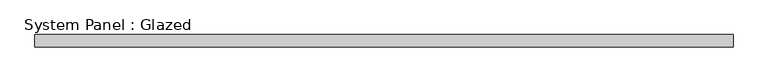
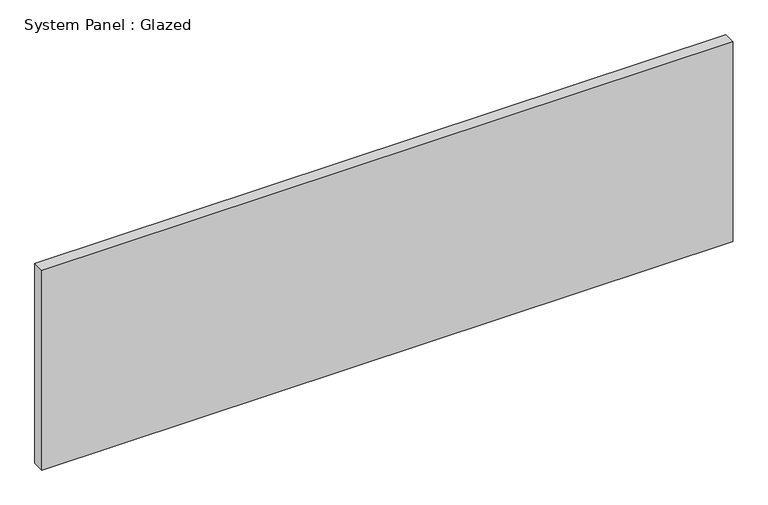
"""IFC4 building model written with IfcOpenShell, lengths in millimetres: plate geometry, System Panel : Glazed."""

from ifc_helpers import new_model, si_unit, origin, origin_with_axes, place, context, project, spatial, polyline, outline, extrude, source, transform, mapped, element, save


def system_panel_glazed_0181f304(model_context):
    return source(origin(), model_context, "Body", "SweptSolid", [
        extrude(outline(polyline([(727.075, -12.7), (-727.075, -12.7), (-727.075, 12.7), (727.075, 12.7), (727.075, -12.7)])), origin_with_axes(), (0.0, 0.0, 1.0), 444.5),
    ])


if __name__ == "__main__":
    model = new_model("IFC4")
    model_context = context("Model", 3, world=origin())
    ifc_project = project(units=[si_unit("LENGTHUNIT", "METRE", prefix="MILLI")], contexts=[model_context])
    site = spatial("IfcSite", under=ifc_project)
    building = spatial("IfcBuilding", under=site)
    placement = place(None, origin())
    system_panel_glazed_shape = system_panel_glazed_0181f304(model_context)
    element("IfcPlate", 1, ObjectType="System Panel : Glazed", at=placement, inside=building, context=model_context, shape_type="MappedRepresentation", body=[
        mapped(system_panel_glazed_shape, transform((0.0, 0.0, 0.0), x_axis=(1.0, 0.0, 0.0), y_axis=(0.0, 1.0, 0.0), z_axis=(0.0, 0.0, 1.0))),
    ])
    save(model, "model.ifc")
